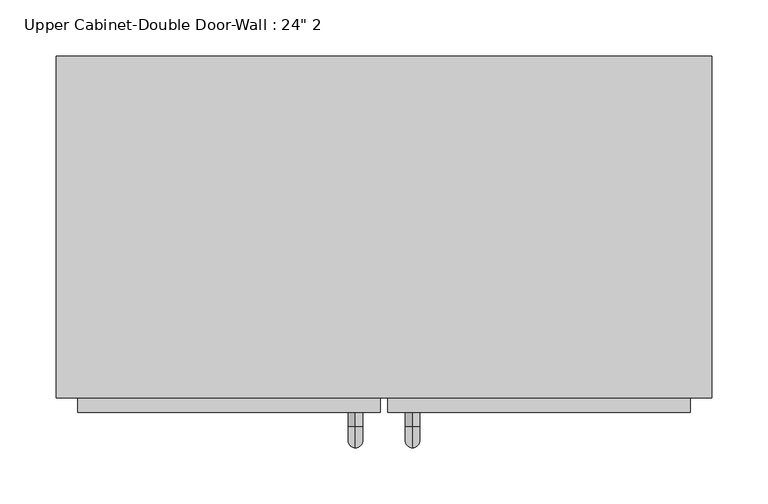
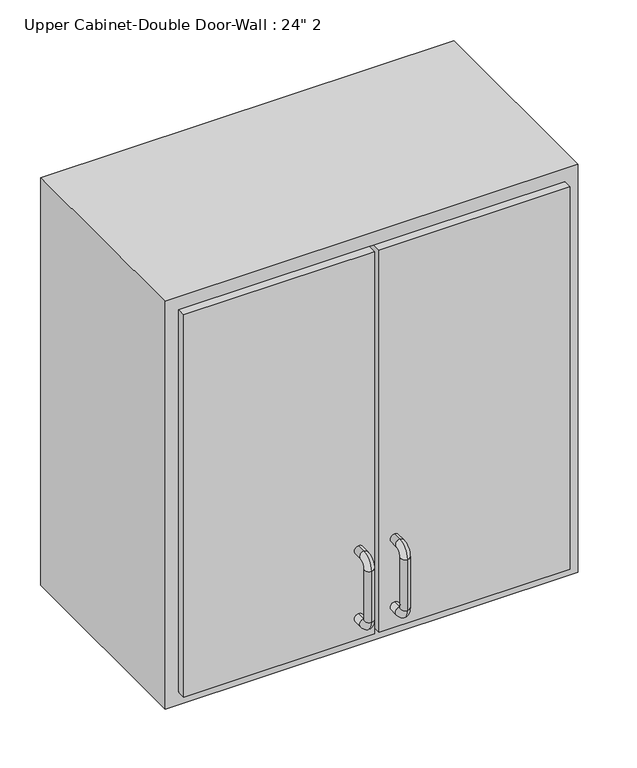
"""IFC4 building model written with IfcOpenShell, lengths in millimetres: furniture geometry."""

from ifc_helpers import new_model, si_unit, point, frame, origin, place, context, project, spatial, polyline, circle_curve, ellipse_curve, trimmed, outline, extrude, faceted_brep, source, transform, mapped, element, save
from ifc_brep_helpers import plane_surface, cylinder_surface, revolved_surface, advanced_brep


def furniture_8027be5d(model_context):
    return source(origin(), model_context, "Body", "SolidModel", [
        faceted_brep([(-262.3288372, -76.2, 2133.6), (321.8711628, -76.2, 2133.6), (321.8711628, -76.2, 1524.0), (-262.3288372, -76.2, 1524.0), (-262.3288372, -381.0, 2133.6), (-262.3288372, -381.0, 1524.0), (321.8711628, -381.0, 1524.0), (321.8711628, -381.0, 2133.6), (-243.2788372, -381.0, 2114.55), (302.8211628, -381.0, 2114.55), (302.8211628, -381.0, 1543.05), (-243.2788372, -381.0, 1543.05), (-243.2788372, -95.25, 2114.55), (302.8211628, -95.25, 2114.55), (302.8211628, -95.25, 1543.05), (-243.2788372, -95.25, 1543.05)], [[[0, 1, 2, 3]], [[4, 5, 6, 7], [8, 9, 10, 11]], [[3, 5, 4, 0]], [[2, 6, 5, 3]], [[1, 7, 6, 2]], [[0, 4, 7, 1]], [[8, 12, 13, 9]], [[9, 13, 14, 10]], [[10, 14, 15, 11]], [[11, 15, 12, 8]], [[12, 15, 14, 13]]]),
        advanced_brep(
        [(55.1711628, -393.7, 1670.05), (55.1711628, -393.7, 1682.75), (55.1711628, -406.4, 1682.75), (55.1711628, -406.4, 1670.05), (55.1711628, -425.45, 1663.7), (55.1711628, -412.75, 1663.7), (55.1711628, -425.45, 1587.5), (55.1711628, -412.75, 1587.5), (55.1711628, -406.4, 1568.45), (55.1711628, -406.4, 1581.15), (55.1711628, -393.7, 1581.15), (55.1711628, -393.7, 1568.45)],
        [
            (0, 1, circle_curve(frame((55.1711628, -393.7, 1676.4), z_axis=(0.0, 1.0, 0.0), x_axis=(0.0, 0.0, -1.0)), 6.35)),
            (1, 0, circle_curve(frame((55.1711628, -393.7, 1676.4), z_axis=(0.0, 1.0, 0.0), x_axis=(0.0, 0.0, -1.0)), 6.35)),
            (1, 2),
            (2, 3, circle_curve(frame((55.1711628, -406.4, 1676.4), z_axis=(0.0, 1.0, 0.0), x_axis=(0.0, 0.0, -1.0)), 6.35)),
            (3, 0),
            (3, 2, circle_curve(frame((55.1711628, -406.4, 1676.4), z_axis=(0.0, 1.0, 0.0), x_axis=(0.0, 0.0, -1.0)), 6.35)),
            (4, 5, circle_curve(frame((55.1711628, -419.1, 1663.7), z_axis=(0.0, 0.0, 1.0), x_axis=(0.0, 1.0, 0.0)), 6.35)),
            (5, 3, circle_curve(frame((55.1711628, -406.4, 1663.7), z_axis=(-1.0, 0.0, 0.0), x_axis=(0.0, 0.0, 1.0)), 6.35)),
            (2, 4, circle_curve(frame((55.1711628, -406.4, 1663.7), z_axis=(1.0, 0.0, 0.0), x_axis=(0.0, 0.0, 1.0)), 19.05)),
            (5, 4, circle_curve(frame((55.1711628, -419.1, 1663.7), z_axis=(0.0, 0.0, 1.0), x_axis=(0.0, 1.0, 0.0)), 6.35)),
            (4, 6),
            (6, 7, circle_curve(frame((55.1711628, -419.1, 1587.5), z_axis=(0.0, 0.0, 1.0), x_axis=(0.0, 1.0, 0.0)), 6.35)),
            (7, 5),
            (7, 6, circle_curve(frame((55.1711628, -419.1, 1587.5), z_axis=(0.0, 0.0, 1.0), x_axis=(0.0, 1.0, 0.0)), 6.35)),
            (8, 9, circle_curve(frame((55.1711628, -406.4, 1574.8), z_axis=(0.0, -1.0, 0.0), x_axis=(0.0, 0.0, 1.0)), 6.35)),
            (9, 7, circle_curve(frame((55.1711628, -406.4, 1587.5), z_axis=(-1.0, 0.0, 0.0), x_axis=(0.0, -1.0, 0.0)), 6.35)),
            (6, 8, circle_curve(frame((55.1711628, -406.4, 1587.5), z_axis=(1.0, 0.0, 0.0), x_axis=(0.0, -1.0, 0.0)), 19.05)),
            (9, 8, circle_curve(frame((55.1711628, -406.4, 1574.8), z_axis=(0.0, -1.0, 0.0), x_axis=(0.0, 0.0, 1.0)), 6.35)),
            (10, 11, circle_curve(frame((55.1711628, -393.7, 1574.8), z_axis=(0.0, 1.0, 0.0), x_axis=(0.0, 0.0, 1.0)), 6.35)),
            (11, 10, circle_curve(frame((55.1711628, -393.7, 1574.8), z_axis=(0.0, 1.0, 0.0), x_axis=(0.0, 0.0, 1.0)), 6.35)),
            (8, 11),
            (10, 9),
        ],
        [
            plane_surface(frame((48.8211628, -393.7, 1676.4), z_axis=(0.0, 1.0, 0.0), x_axis=(0.0, 0.0, 1.0))),
            cylinder_surface(frame((55.1711628, -393.7, 1676.4), z_axis=(0.0, 1.0, 0.0), x_axis=(0.0, 0.0, -1.0)), 6.35),
            revolved_surface(trimmed(ellipse_curve(frame((55.1711628, -406.4, 1676.4), z_axis=(0.0, -1.0, 0.0), x_axis=(0.0, 0.0, -1.0)), 6.35, 6.35), [point((55.1711628, -406.4, 1670.05))], [point((55.1711628, -406.4, 1682.75))], True, "CARTESIAN"), (55.1711628, -406.4, 1663.7), (-1.0, 0.0, 0.0)),
            revolved_surface(trimmed(ellipse_curve(frame((55.1711628, -406.4, 1676.4), z_axis=(0.0, -1.0, 0.0), x_axis=(0.0, 0.0, -1.0)), 6.35, 6.35), [point((55.1711628, -406.4, 1682.75))], [point((55.1711628, -406.4, 1670.05))], True, "CARTESIAN"), (55.1711628, -406.4, 1663.7), (-1.0, 0.0, 0.0)),
            cylinder_surface(frame((55.1711628, -419.1, 1663.7), z_axis=(0.0, 0.0, 1.0), x_axis=(0.0, 1.0, 0.0)), 6.35),
            revolved_surface(trimmed(ellipse_curve(frame((55.1711628, -419.1, 1587.5), z_axis=(0.0, 0.0, -1.0), x_axis=(0.0, 1.0, 0.0)), 6.35, 6.35), [point((55.1711628, -412.75, 1587.5))], [point((55.1711628, -425.45, 1587.5))], True, "CARTESIAN"), (55.1711628, -406.4, 1587.5), (-1.0, 0.0, 0.0)),
            revolved_surface(trimmed(ellipse_curve(frame((55.1711628, -419.1, 1587.5), z_axis=(0.0, 0.0, -1.0), x_axis=(0.0, 1.0, 0.0)), 6.35, 6.35), [point((55.1711628, -425.45, 1587.5))], [point((55.1711628, -412.75, 1587.5))], True, "CARTESIAN"), (55.1711628, -406.4, 1587.5), (-1.0, 0.0, 0.0)),
            plane_surface(frame((48.8211628, -393.7, 1574.8), z_axis=(0.0, 1.0, 0.0), x_axis=(0.0, 0.0, -1.0))),
            cylinder_surface(frame((55.1711628, -406.4, 1574.8), z_axis=(0.0, -1.0, 0.0), x_axis=(0.0, 0.0, 1.0)), 6.35),
        ],
        [
            (0, [[1, 2]]),
            (1, [[3, 4, 5, -2]]),
            (1, [[-5, 6, -3, -1]]),
            (2, [[7, 8, -4, 9]]),
            (3, [[10, -9, -6, -8]]),
            (4, [[11, 12, 13, -7]]),
            (4, [[-13, 14, -11, -10]]),
            (5, [[15, 16, -12, 17]]),
            (6, [[18, -17, -14, -16]]),
            (7, [[19, 20]]),
            (8, [[21, -19, 22, -15]]),
            (8, [[-22, -20, -21, -18]]),
        ],
    ),
        advanced_brep(
        [(4.3711628, -393.7, 1670.05), (4.3711628, -393.7, 1682.75), (4.3711628, -406.4, 1682.75), (4.3711628, -406.4, 1670.05), (4.3711628, -425.45, 1663.7), (4.3711628, -412.75, 1663.7), (4.3711628, -425.45, 1587.5), (4.3711628, -412.75, 1587.5), (4.3711628, -406.4, 1568.45), (4.3711628, -406.4, 1581.15), (4.3711628, -393.7, 1581.15), (4.3711628, -393.7, 1568.45)],
        [
            (0, 1, circle_curve(frame((4.3711628, -393.7, 1676.4), z_axis=(0.0, 1.0, 0.0), x_axis=(0.0, 0.0, 1.0)), 6.35)),
            (1, 0, circle_curve(frame((4.3711628, -393.7, 1676.4), z_axis=(0.0, 1.0, 0.0), x_axis=(0.0, 0.0, 1.0)), 6.35)),
            (1, 2),
            (2, 3, circle_curve(frame((4.3711628, -406.4, 1676.4), z_axis=(0.0, 1.0, 0.0), x_axis=(0.0, 0.0, 1.0)), 6.35)),
            (3, 0),
            (3, 2, circle_curve(frame((4.3711628, -406.4, 1676.4), z_axis=(0.0, 1.0, 0.0), x_axis=(0.0, 0.0, 1.0)), 6.35)),
            (4, 5, circle_curve(frame((4.3711628, -419.1, 1663.7), z_axis=(0.0, 0.0, 1.0), x_axis=(0.0, -1.0, 0.0)), 6.35)),
            (5, 3, circle_curve(frame((4.3711628, -406.4, 1663.7), z_axis=(-1.0, 0.0, 0.0), x_axis=(0.0, 0.0, 1.0)), 6.35)),
            (2, 4, circle_curve(frame((4.3711628, -406.4, 1663.7), z_axis=(1.0, 0.0, 0.0), x_axis=(0.0, 0.0, 1.0)), 19.05)),
            (5, 4, circle_curve(frame((4.3711628, -419.1, 1663.7), z_axis=(0.0, 0.0, 1.0), x_axis=(0.0, -1.0, 0.0)), 6.35)),
            (4, 6),
            (6, 7, circle_curve(frame((4.3711628, -419.1, 1587.5), z_axis=(0.0, 0.0, 1.0), x_axis=(0.0, -1.0, 0.0)), 6.35)),
            (7, 5),
            (7, 6, circle_curve(frame((4.3711628, -419.1, 1587.5), z_axis=(0.0, 0.0, 1.0), x_axis=(0.0, -1.0, 0.0)), 6.35)),
            (8, 9, circle_curve(frame((4.3711628, -406.4, 1574.8), z_axis=(0.0, -1.0, 0.0), x_axis=(0.0, 0.0, -1.0)), 6.35)),
            (9, 7, circle_curve(frame((4.3711628, -406.4, 1587.5), z_axis=(-1.0, 0.0, 0.0), x_axis=(0.0, -1.0, 0.0)), 6.35)),
            (6, 8, circle_curve(frame((4.3711628, -406.4, 1587.5), z_axis=(1.0, 0.0, 0.0), x_axis=(0.0, -1.0, 0.0)), 19.05)),
            (9, 8, circle_curve(frame((4.3711628, -406.4, 1574.8), z_axis=(0.0, -1.0, 0.0), x_axis=(0.0, 0.0, -1.0)), 6.35)),
            (10, 11, circle_curve(frame((4.3711628, -393.7, 1574.8), z_axis=(0.0, 1.0, 0.0), x_axis=(0.0, 0.0, -1.0)), 6.35)),
            (11, 10, circle_curve(frame((4.3711628, -393.7, 1574.8), z_axis=(0.0, 1.0, 0.0), x_axis=(0.0, 0.0, -1.0)), 6.35)),
            (8, 11),
            (10, 9),
        ],
        [
            plane_surface(frame((-1.9788372, -393.7, 1676.4), z_axis=(0.0, 1.0, 0.0), x_axis=(0.0, 0.0, 1.0))),
            cylinder_surface(frame((4.3711628, -393.7, 1676.4), z_axis=(0.0, 1.0, 0.0), x_axis=(0.0, 0.0, 1.0)), 6.35),
            revolved_surface(trimmed(ellipse_curve(frame((4.3711628, -406.4, 1676.4), z_axis=(0.0, -1.0, 0.0), x_axis=(0.0, 0.0, 1.0)), 6.35, 6.35), [point((4.3711628, -406.4, 1670.05))], [point((4.3711628, -406.4, 1682.75))], True, "CARTESIAN"), (4.3711628, -406.4, 1663.7), (-1.0, 0.0, 0.0)),
            revolved_surface(trimmed(ellipse_curve(frame((4.3711628, -406.4, 1676.4), z_axis=(0.0, -1.0, 0.0), x_axis=(0.0, 0.0, 1.0)), 6.35, 6.35), [point((4.3711628, -406.4, 1682.75))], [point((4.3711628, -406.4, 1670.05))], True, "CARTESIAN"), (4.3711628, -406.4, 1663.7), (-1.0, 0.0, 0.0)),
            cylinder_surface(frame((4.3711628, -419.1, 1663.7), z_axis=(0.0, 0.0, 1.0), x_axis=(0.0, -1.0, 0.0)), 6.35),
            revolved_surface(trimmed(ellipse_curve(frame((4.3711628, -419.1, 1587.5), z_axis=(0.0, 0.0, -1.0), x_axis=(0.0, -1.0, 0.0)), 6.35, 6.35), [point((4.3711628, -412.75, 1587.5))], [point((4.3711628, -425.45, 1587.5))], True, "CARTESIAN"), (4.3711628, -406.4, 1587.5), (-1.0, 0.0, 0.0)),
            revolved_surface(trimmed(ellipse_curve(frame((4.3711628, -419.1, 1587.5), z_axis=(0.0, 0.0, -1.0), x_axis=(0.0, -1.0, 0.0)), 6.35, 6.35), [point((4.3711628, -425.45, 1587.5))], [point((4.3711628, -412.75, 1587.5))], True, "CARTESIAN"), (4.3711628, -406.4, 1587.5), (-1.0, 0.0, 0.0)),
            plane_surface(frame((-1.9788372, -393.7, 1574.8), z_axis=(0.0, 1.0, 0.0), x_axis=(0.0, 0.0, -1.0))),
            cylinder_surface(frame((4.3711628, -406.4, 1574.8), z_axis=(0.0, -1.0, 0.0), x_axis=(0.0, 0.0, -1.0)), 6.35),
        ],
        [
            (0, [[1, 2]]),
            (1, [[3, 4, 5, -2]]),
            (1, [[-5, 6, -3, -1]]),
            (2, [[7, 8, -4, 9]]),
            (3, [[10, -9, -6, -8]]),
            (4, [[11, 12, 13, -7]]),
            (4, [[-13, 14, -11, -10]]),
            (5, [[15, 16, -12, 17]]),
            (6, [[18, -17, -14, -16]]),
            (7, [[19, 20]]),
            (8, [[21, -19, 22, -15]]),
            (8, [[-22, -20, -21, -18]]),
        ],
    ),
        extrude(outline(polyline([(32.9461628, -393.7), (32.9461628, -361.95), (302.8211628, -361.95), (302.8211628, -393.7), (32.9461628, -393.7)])), frame((0.0, 0.0, 1543.05), z_axis=(0.0, 0.0, 1.0), x_axis=(1.0, 0.0, 0.0)), (0.0, 0.0, 1.0), 571.5),
        extrude(outline(polyline([(-243.2788372, -393.7), (-243.2788372, -361.95), (26.5961628, -361.95), (26.5961628, -393.7), (-243.2788372, -393.7)])), frame((0.0, 0.0, 1543.05), z_axis=(0.0, 0.0, 1.0), x_axis=(1.0, 0.0, 0.0)), (0.0, 0.0, 1.0), 571.5),
    ])


if __name__ == "__main__":
    model = new_model("IFC4")
    model_context = context("Model", 3, world=origin())
    ifc_project = project(units=[si_unit("LENGTHUNIT", "METRE", prefix="MILLI")], contexts=[model_context])
    site = spatial("IfcSite", under=ifc_project)
    building = spatial("IfcBuilding", under=site)
    placement = place(None, origin())
    furniture_shape = furniture_8027be5d(model_context)
    element("IfcFurniture", 1, ObjectType="Upper Cabinet-Double Door-Wall : 24\" 2", at=placement, inside=building, context=model_context, shape_type="MappedRepresentation", body=[
        mapped(furniture_shape, transform((0.0, 0.0, 0.0), x_axis=(1.0, 0.0, 0.0), y_axis=(0.0, 1.0, 0.0), z_axis=(0.0, 0.0, 1.0))),
    ])
    save(model, "model.ifc")
